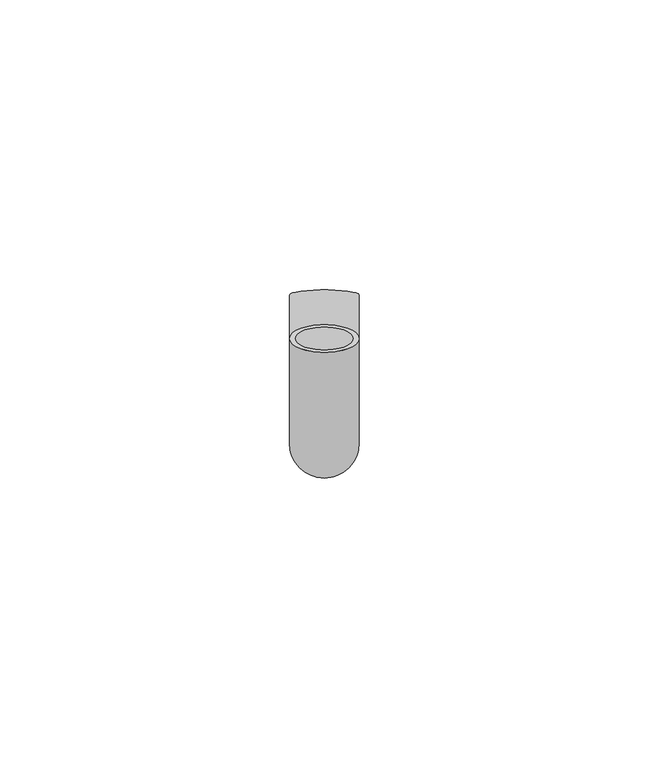
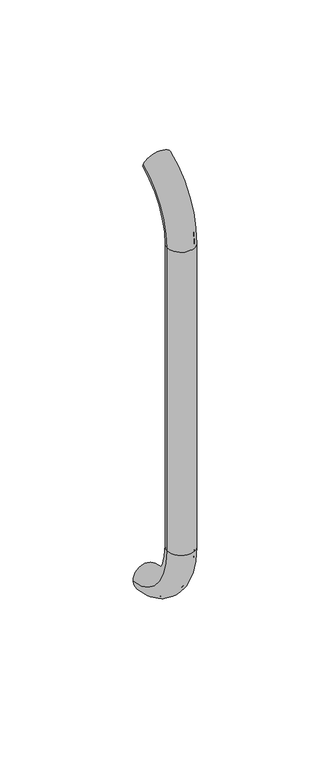
"""IFC4 building model written with IfcOpenShell, lengths in millimetres: beam geometry."""

from ifc_helpers import new_model, si_unit, point, frame, origin, place, context, project, spatial, polyline, circle_curve, ellipse_curve, trimmed, source, transform, mapped, element, save
from ifc_brep_helpers import plane_surface, cylinder_surface, revolved_surface, advanced_brep


def beam_695697a0(model_context):
    return source(origin(), model_context, "Body", "AdvancedBrep", [
        advanced_brep(
        [(4811.4386176, 2444.0395554, 1993.7787656), (4823.4386176, 2444.0395554, 1993.7787656), (4812.4386176, 2444.0395554, 1993.7787656), (4822.4386176, 2444.0395554, 1993.7787656), (4822.4386176, 2425.9629385, 1966.25), (4812.4386176, 2425.9629385, 1966.25), (4823.4386176, 2425.9629385, 1966.25), (4811.4386176, 2425.9629385, 1966.25), (4812.4386176, 2425.9629385, 1826.25), (4822.4386176, 2425.9629385, 1826.25), (4811.4386176, 2425.9629385, 1826.25), (4823.4386176, 2425.9629385, 1826.25), (4811.4386176, 2451.5825147, 1796.5715249), (4823.4386176, 2451.5825147, 1796.5715249), (4812.4386176, 2451.5825147, 1796.5715249), (4822.4386176, 2451.5825147, 1796.5715249)],
        [
            (0, 1, circle_curve(frame((4817.4386176, 2444.0395554, 1993.7787656), z_axis=(0.0, 0.9176255197351176, 0.3974461039321624), x_axis=(1.0, 0.0, 0.0)), 6.0)),
            (1, 0, circle_curve(frame((4817.4386176, 2444.0395554, 1993.7787656), z_axis=(0.0, 0.9176255197351176, 0.3974461039321624), x_axis=(1.0, 0.0, 0.0)), 6.0)),
            (2, 3, circle_curve(frame((4817.4386176, 2444.0395554, 1993.7787656), z_axis=(0.0, -0.9176255197351176, -0.3974461039321624), x_axis=(1.0, 0.0, 0.0)), 5.0)),
            (3, 2, circle_curve(frame((4817.4386176, 2444.0395554, 1993.7787656), z_axis=(0.0, -0.9176255197351176, -0.3974461039321624), x_axis=(1.0, 0.0, 0.0)), 5.0)),
            (4, 3, circle_curve(frame((4822.4386176, 2455.9629385, 1966.25), z_axis=(-1.0, 0.0, 0.0), x_axis=(0.0, -0.3974461039321624, 0.9176255197351176)), 30.0)),
            (2, 5, circle_curve(frame((4812.4386176, 2455.9629385, 1966.25), z_axis=(1.0, 0.0, 0.0), x_axis=(0.0, -0.3974461039321624, 0.9176255197351176)), 30.0)),
            (5, 4, circle_curve(frame((4817.4386176, 2425.9629385, 1966.25), z_axis=(0.0, 0.0, -1.0), x_axis=(1.0, 0.0, 0.0)), 5.0)),
            (4, 5, circle_curve(frame((4817.4386176, 2425.9629385, 1966.25), z_axis=(0.0, 0.0, -1.0), x_axis=(1.0, 0.0, 0.0)), 5.0)),
            (6, 1, circle_curve(frame((4823.4386176, 2455.9629385, 1966.25), z_axis=(-1.0, 0.0, 0.0), x_axis=(0.0, -0.3974461039321624, 0.9176255197351176)), 30.0)),
            (0, 7, circle_curve(frame((4811.4386176, 2455.9629385, 1966.25), z_axis=(1.0, 0.0, 0.0), x_axis=(0.0, -0.3974461039321624, 0.9176255197351176)), 30.0)),
            (7, 6, circle_curve(frame((4817.4386176, 2425.9629385, 1966.25), z_axis=(0.0, 0.0, 1.0), x_axis=(1.0, 0.0, 0.0)), 6.0)),
            (6, 7, circle_curve(frame((4817.4386176, 2425.9629385, 1966.25), z_axis=(0.0, 0.0, 1.0), x_axis=(1.0, 0.0, 0.0)), 6.0)),
            (5, 8),
            (8, 9, circle_curve(frame((4817.4386176, 2425.9629385, 1826.25), z_axis=(0.0, 0.0, -1.0), x_axis=(1.0, 0.0, 0.0)), 5.0)),
            (9, 4),
            (9, 8, circle_curve(frame((4817.4386176, 2425.9629385, 1826.25), z_axis=(0.0, 0.0, -1.0), x_axis=(1.0, 0.0, 0.0)), 5.0)),
            (7, 10),
            (10, 11, circle_curve(frame((4817.4386176, 2425.9629385, 1826.25), z_axis=(0.0, 0.0, 1.0), x_axis=(1.0, 0.0, 0.0)), 6.0)),
            (11, 6),
            (11, 10, circle_curve(frame((4817.4386176, 2425.9629385, 1826.25), z_axis=(0.0, 0.0, 1.0), x_axis=(1.0, 0.0, 0.0)), 6.0)),
            (12, 13, circle_curve(frame((4817.4386176, 2451.5825147, 1796.5715249), z_axis=(0.0, 0.9892825047438852, -0.14601412879466394), x_axis=(1.0, 0.0, 0.0)), 6.0)),
            (13, 12, circle_curve(frame((4817.4386176, 2451.5825147, 1796.5715249), z_axis=(0.0, 0.9892825047438852, -0.14601412879466394), x_axis=(1.0, 0.0, 0.0)), 6.0)),
            (14, 15, circle_curve(frame((4817.4386176, 2451.5825147, 1796.5715249), z_axis=(0.0, -0.9892825047438852, 0.14601412879466394), x_axis=(1.0, 0.0, 0.0)), 5.0)),
            (15, 14, circle_curve(frame((4817.4386176, 2451.5825147, 1796.5715249), z_axis=(0.0, -0.9892825047438852, 0.14601412879466394), x_axis=(1.0, 0.0, 0.0)), 5.0)),
            (15, 9, circle_curve(frame((4822.4386176, 2455.9629385, 1826.25), z_axis=(-1.0, 0.0, 0.0), x_axis=(0.0, -1.0, 0.0)), 30.0)),
            (8, 14, circle_curve(frame((4812.4386176, 2455.9629385, 1826.25), z_axis=(1.0, 0.0, 0.0), x_axis=(0.0, -1.0, 0.0)), 30.0)),
            (13, 11, circle_curve(frame((4823.4386176, 2455.9629385, 1826.25), z_axis=(-1.0, 0.0, 0.0), x_axis=(0.0, -1.0, 0.0)), 30.0)),
            (10, 12, circle_curve(frame((4811.4386176, 2455.9629385, 1826.25), z_axis=(1.0, 0.0, 0.0), x_axis=(0.0, -1.0, 0.0)), 30.0)),
        ],
        [
            plane_surface(frame((4817.4386176, 2444.0395554, 1993.7787656), z_axis=(0.0, 0.9176255197351176, 0.3974461039321624), x_axis=(1.0, 0.0, 0.0))),
            revolved_surface(trimmed(ellipse_curve(frame((4817.4386176, 2444.0395554, 1993.7787656), z_axis=(0.0, -0.9176255197351176, -0.3974461039321624), x_axis=(1.0, 0.0, 0.0)), 5.0, 5.0), [point((4812.4386176, 2444.0395554, 1993.7787656))], [point((4822.4386176, 2444.0395554, 1993.7787656))], True, "CARTESIAN"), (4817.4386176, 2455.9629385, 1966.25), (1.0, 0.0, 0.0)),
            revolved_surface(trimmed(ellipse_curve(frame((4817.4386176, 2444.0395554, 1993.7787656), z_axis=(0.0, -0.9176255197351176, -0.3974461039321624), x_axis=(1.0, 0.0, 0.0)), 5.0, 5.0), [point((4822.4386176, 2444.0395554, 1993.7787656))], [point((4812.4386176, 2444.0395554, 1993.7787656))], True, "CARTESIAN"), (4817.4386176, 2455.9629385, 1966.25), (1.0, 0.0, 0.0)),
            revolved_surface(trimmed(ellipse_curve(frame((4817.4386176, 2444.0395554, 1993.7787656), z_axis=(0.0, 0.9176255197351176, 0.3974461039321624), x_axis=(1.0, 0.0, 0.0)), 6.0, 6.0), [point((4811.4386176, 2444.0395554, 1993.7787656))], [point((4823.4386176, 2444.0395554, 1993.7787656))], True, "CARTESIAN"), (4817.4386176, 2455.9629385, 1966.25), (1.0, 0.0, 0.0)),
            revolved_surface(trimmed(ellipse_curve(frame((4817.4386176, 2444.0395554, 1993.7787656), z_axis=(0.0, 0.9176255197351176, 0.3974461039321624), x_axis=(1.0, 0.0, 0.0)), 6.0, 6.0), [point((4823.4386176, 2444.0395554, 1993.7787656))], [point((4811.4386176, 2444.0395554, 1993.7787656))], True, "CARTESIAN"), (4817.4386176, 2455.9629385, 1966.25), (1.0, 0.0, 0.0)),
            revolved_surface(polyline([(4822.4386176, 2425.9629385, 1826.25), (4822.4386176, 2425.9629385, 1966.25)]), (4817.4386176, 2425.9629385, 1966.25), (0.0, 0.0, -1.0)),
            cylinder_surface(frame((4817.4386176, 2425.9629385, 1966.25), z_axis=(0.0, 0.0, 1.0), x_axis=(1.0, 0.0, 0.0)), 6.0),
            plane_surface(frame((4817.4386176, 2451.5825147, 1796.5715249), z_axis=(0.0, 0.9892825047438852, -0.14601412879466397), x_axis=(1.0, 0.0, 0.0))),
            revolved_surface(trimmed(ellipse_curve(frame((4817.4386176, 2425.9629385, 1826.25), z_axis=(0.0, 0.0, -1.0), x_axis=(1.0, 0.0, 0.0)), 5.0, 5.0), [point((4812.4386176, 2425.9629385, 1826.25))], [point((4822.4386176, 2425.9629385, 1826.25))], True, "CARTESIAN"), (4817.4386176, 2455.9629385, 1826.25), (1.0, 0.0, 0.0)),
            revolved_surface(trimmed(ellipse_curve(frame((4817.4386176, 2425.9629385, 1826.25), z_axis=(0.0, 0.0, -1.0), x_axis=(1.0, 0.0, 0.0)), 5.0, 5.0), [point((4822.4386176, 2425.9629385, 1826.25))], [point((4812.4386176, 2425.9629385, 1826.25))], True, "CARTESIAN"), (4817.4386176, 2455.9629385, 1826.25), (1.0, 0.0, 0.0)),
            revolved_surface(trimmed(ellipse_curve(frame((4817.4386176, 2425.9629385, 1826.25), z_axis=(0.0, 0.0, 1.0), x_axis=(1.0, 0.0, 0.0)), 6.0, 6.0), [point((4811.4386176, 2425.9629385, 1826.25))], [point((4823.4386176, 2425.9629385, 1826.25))], True, "CARTESIAN"), (4817.4386176, 2455.9629385, 1826.25), (1.0, 0.0, 0.0)),
            revolved_surface(trimmed(ellipse_curve(frame((4817.4386176, 2425.9629385, 1826.25), z_axis=(0.0, 0.0, 1.0), x_axis=(1.0, 0.0, 0.0)), 6.0, 6.0), [point((4823.4386176, 2425.9629385, 1826.25))], [point((4811.4386176, 2425.9629385, 1826.25))], True, "CARTESIAN"), (4817.4386176, 2455.9629385, 1826.25), (1.0, 0.0, 0.0)),
        ],
        [
            (0, [[1, 2], [3, 4]]),
            (1, [[5, -3, 6, 7]]),
            (2, [[-6, -4, -5, 8]]),
            (3, [[9, -1, 10, 11]]),
            (4, [[-10, -2, -9, 12]]),
            (5, [[-7, 13, 14, 15]]),
            (5, [[-8, -15, 16, -13]]),
            (6, [[-11, 17, 18, 19]]),
            (6, [[-12, -19, 20, -17]]),
            (7, [[21, 22], [23, 24]]),
            (8, [[25, -14, 26, -24]]),
            (9, [[-26, -16, -25, -23]]),
            (10, [[27, -18, 28, -22]]),
            (11, [[-28, -20, -27, -21]]),
        ],
    ),
    ])


if __name__ == "__main__":
    model = new_model("IFC4")
    model_context = context("Model", 3, world=origin())
    ifc_project = project(units=[si_unit("LENGTHUNIT", "METRE", prefix="MILLI")], contexts=[model_context])
    site = spatial("IfcSite", under=ifc_project)
    building = spatial("IfcBuilding", under=site)
    placement = place(None, origin())
    beam_shape = beam_695697a0(model_context)
    element("IfcBeam", 1, at=placement, inside=building, context=model_context, shape_type="MappedRepresentation", body=[
        mapped(beam_shape, transform((0.0, 0.0, 0.0), x_axis=(1.0, 0.0, 0.0), y_axis=(0.0, 1.0, 0.0), z_axis=(0.0, 0.0, 1.0))),
    ])
    save(model, "model.ifc")
